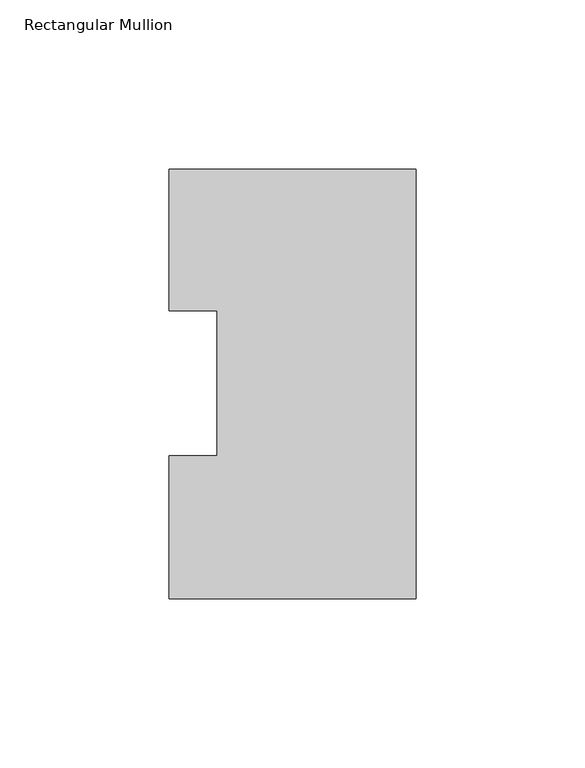
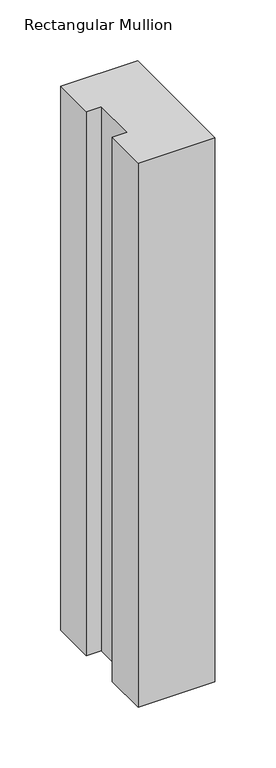
"""IFC4 building model written with IfcOpenShell, lengths in millimetres: member geometry, Rectangular Mullion."""

from ifc_helpers import new_model, si_unit, frame, origin, place, context, project, spatial, polyline, outline, extrude, source, transform, mapped, element, save


def rectangular_mullion_fa10ae53(model_context):
    return source(origin(), model_context, "Body", "SweptSolid", [
        extrude(outline(polyline([(0.0, 126.9888875), (0.0, -0.0111125), (-73.025, -0.0111125), (-73.025, 42.2798875), (-58.7375, 42.2798875), (-58.7375, 85.1296875), (-73.025, 85.1296875), (-73.025, 126.9888875), (0.0, 126.9888875)])), frame((0.0, 0.0, -546.1), z_axis=(0.0, 0.0, 1.0), x_axis=(1.0, 0.0, 0.0)), (0.0, 0.0, 1.0), 546.1),
    ])


if __name__ == "__main__":
    model = new_model("IFC4")
    model_context = context("Model", 3, world=origin())
    ifc_project = project(units=[si_unit("LENGTHUNIT", "METRE", prefix="MILLI")], contexts=[model_context])
    site = spatial("IfcSite", under=ifc_project)
    building = spatial("IfcBuilding", under=site)
    placement = place(None, origin())
    rectangular_mullion_shape = rectangular_mullion_fa10ae53(model_context)
    element("IfcMember", 1, ObjectType="Rectangular Mullion", at=placement, inside=building, context=model_context, shape_type="MappedRepresentation", body=[
        mapped(rectangular_mullion_shape, transform((0.0, 0.0, 0.0), x_axis=(1.0, 0.0, 0.0), y_axis=(0.0, 1.0, 0.0), z_axis=(0.0, 0.0, 1.0))),
    ])
    save(model, "model.ifc")
